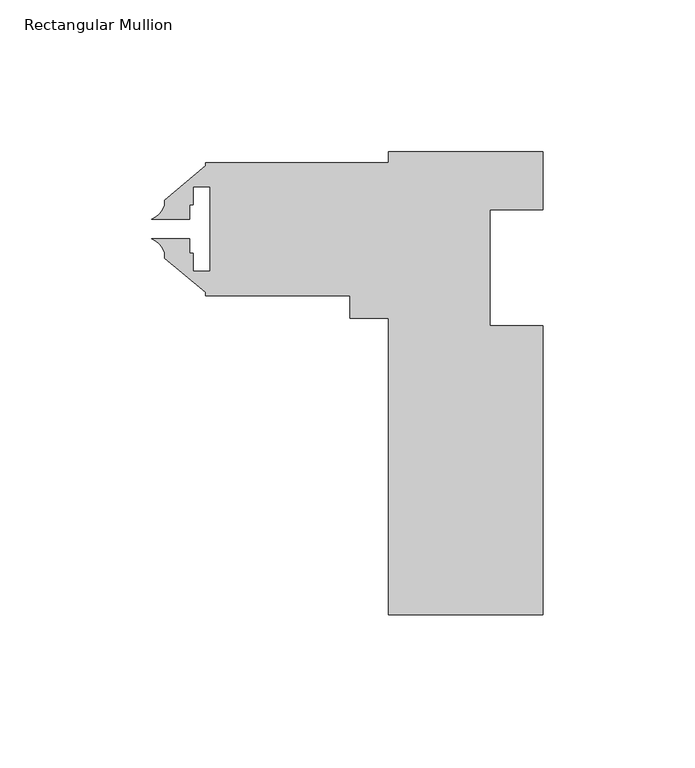
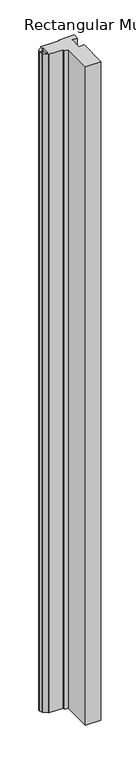
"""IFC4 building model written with IfcOpenShell, lengths in millimetres: member geometry, Rectangular Mullion."""

from ifc_helpers import new_model, si_unit, point, frame, frame_2d, origin, place, context, project, spatial, polyline, circle_curve, trimmed, segment, composite_curve, outline, extrude, source, transform, mapped, element, save


def rectangular_mullion_efabce51(model_context):
    return source(origin(), model_context, "Body", "SweptSolid", [
        extrude(outline(composite_curve([segment(polyline([(25.4, 0.0), (25.4, -19.05), (7.9502, -19.05), (7.9502, -57.15), (25.4, -57.15), (25.4, -152.4), (-25.4, -152.4), (-25.4, -54.7878), (-38.1, -54.7878), (-38.1, -47.2948), (-85.725, -47.2948), (-85.725, -46.2282933), (-99.187, -34.932334), (-99.187, -33.2441997)]), True, "CONTINUOUS"), segment(trimmed(circle_curve(frame_2d((-106.5630024, -35.6343561)), 7.7535965), [point((-99.187, -33.2441997))], [point((-103.3848231, -28.5620555))], True, "CARTESIAN"), True, "CONTINUOUS"), segment(polyline([(-103.3848231, -28.5620555), (-90.89223, -28.5620555), (-90.89223, -33.3248), (-89.7636, -33.3248), (-89.7636, -39.2938), (-84.1502, -39.2938), (-84.1502, -11.5062), (-89.7636, -11.5062), (-89.7636, -17.4752), (-90.89223, -17.4752), (-90.89223, -22.2379379), (-103.3848084, -22.2379379)]), True, "CONTINUOUS"), segment(trimmed(circle_curve(frame_2d((-106.5630024, -15.1656439)), 7.7535965), [point((-103.3848084, -22.2379379))], [point((-99.187, -17.5558003))], True, "CARTESIAN"), True, "CONTINUOUS"), segment(polyline([(-99.187, -17.5558003), (-99.187, -15.867666), (-85.725, -4.5717067), (-85.725, -3.5052), (-25.4, -3.5052), (-25.4, 0.0), (25.4, 0.0)]), True, "CONTINUOUS")], self_intersect=False)), frame((0.0, 0.0, -2286.0), z_axis=(0.0, 0.0, 1.0), x_axis=(1.0, 0.0, 0.0)), (0.0, 0.0, 1.0), 2286.0),
    ])


if __name__ == "__main__":
    model = new_model("IFC4")
    model_context = context("Model", 3, world=origin())
    ifc_project = project(units=[si_unit("LENGTHUNIT", "METRE", prefix="MILLI")], contexts=[model_context])
    site = spatial("IfcSite", under=ifc_project)
    building = spatial("IfcBuilding", under=site)
    placement = place(None, origin())
    rectangular_mullion_shape = rectangular_mullion_efabce51(model_context)
    element("IfcMember", 1, ObjectType="Rectangular Mullion", at=placement, inside=building, context=model_context, shape_type="MappedRepresentation", body=[
        mapped(rectangular_mullion_shape, transform((0.0, 0.0, 0.0), x_axis=(1.0, 0.0, 0.0), y_axis=(0.0, 1.0, 0.0), z_axis=(0.0, 0.0, 1.0))),
    ])
    save(model, "model.ifc")
